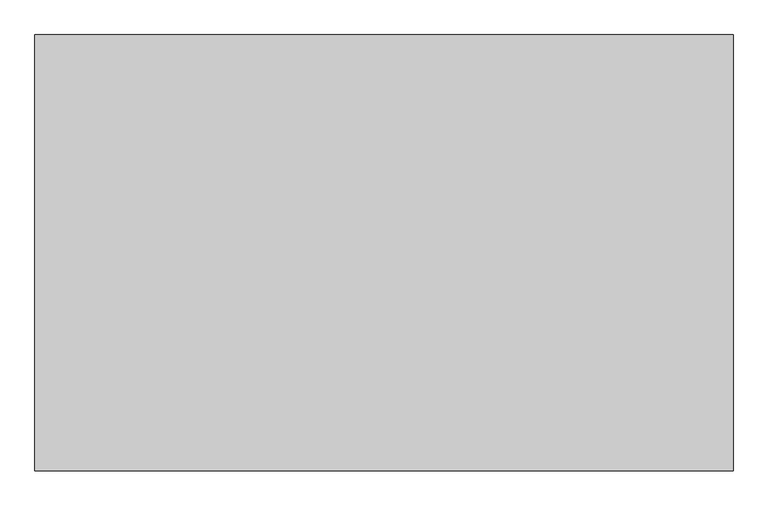
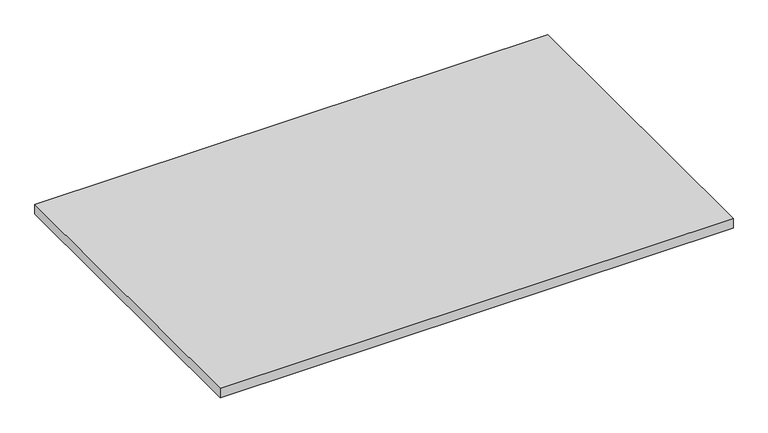
"""IFC4 building model written with IfcOpenShell, lengths in millimetres: furniture geometry."""

from ifc_helpers import new_model, si_unit, frame, origin, place, context, project, spatial, polyline, outline, extrude, source, transform, mapped, element, save


def furniture_039fd896(model_context):
    return source(origin(), model_context, "Body", "SweptSolid", [
        extrude(outline(polyline([(762.0, 476.25), (762.0, -476.25), (-762.0, -476.25), (-762.0, 476.25), (762.0, 476.25)])), frame((0.0, 0.0, 706.4375), z_axis=(0.0, 0.0, 1.0), x_axis=(1.0, 0.0, 0.0)), (0.0, 0.0, 1.0), 30.1625),
    ])


if __name__ == "__main__":
    model = new_model("IFC4")
    model_context = context("Model", 3, world=origin())
    ifc_project = project(units=[si_unit("LENGTHUNIT", "METRE", prefix="MILLI")], contexts=[model_context])
    site = spatial("IfcSite", under=ifc_project)
    building = spatial("IfcBuilding", under=site)
    placement = place(None, origin())
    furniture_shape = furniture_039fd896(model_context)
    element("IfcFurniture", 1, at=placement, inside=building, context=model_context, shape_type="MappedRepresentation", body=[
        mapped(furniture_shape, transform((0.0, 0.0, 0.0), x_axis=(1.0, 0.0, 0.0), y_axis=(0.0, 1.0, 0.0), z_axis=(0.0, 0.0, 1.0))),
    ])
    save(model, "model.ifc")
